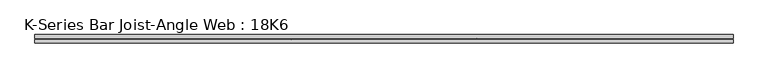
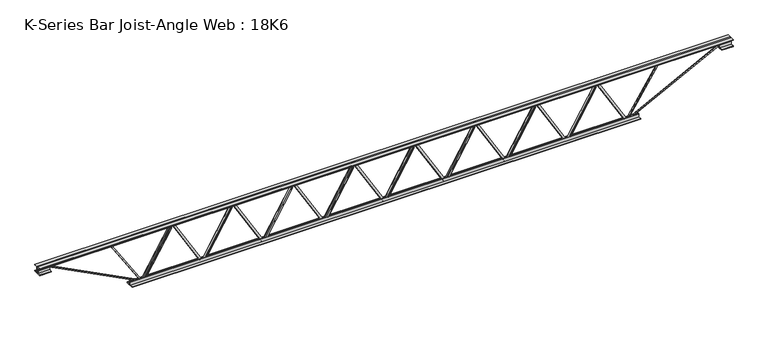
"""IFC4 building model written with IfcOpenShell, lengths in millimetres: beam geometry, K-Series Bar Joist-Angle Web : 18K6."""

from ifc_helpers import new_model, si_unit, frame, origin, place, context, project, spatial, polyline, outline, extrude, faceted_brep, source, transform, mapped, element, save


def k_series_bar_joist_angle_web_18k6_175d3581(model_context):
    return source(origin(), model_context, "Body", "SolidModel", [
        extrude(outline(polyline([(-4.7625, 4.7625), (-4.7625, 0.0), (-17.4625, 0.0), (-17.4625, 4.7625), (-4.7625, 4.7625)])), frame((1567.8580962, 0.0, -190.5), z_axis=(-0.5070201265634058, 0.0, 0.8619342151577625), x_axis=(0.0, -1.0, 0.0)), (0.0, 0.0, 1.0), 442.0290938),
        extrude(outline(polyline([(-225.425, 1600.2), (-206.375, 1600.2), (-206.375, 1599.2977862), (225.425, 1345.2977862), (225.425, 1327.15), (206.375, 1327.15), (206.375, 1334.4022138), (-225.425, 1588.4022138), (-225.425, 1600.2)])), frame((0.0, 0.0, 0.0), z_axis=(0.0, 1.0, 0.0), x_axis=(0.0, 0.0, 1.0)), (0.0, 0.0, 1.0), 4.7625),
        faceted_brep([(1066.8, 0.0, -206.375), (1066.8, 0.0, -225.425), (1066.8, -4.7625, -225.425), (1066.8, -4.7625, -206.375), (1067.7022138, 0.0, -206.375), (1321.7022138, 0.0, 225.425), (1339.85, 0.0, 225.425), (1339.85, 0.0, 206.375), (1332.5977862, 0.0, 206.375), (1078.5977862, 0.0, -225.425), (1078.5977862, -4.7625, -225.425), (1099.1419038, -4.7625, -190.5), (1095.0369421, -4.7625, -188.0853166), (1319.1545892, -4.7625, 192.9146834), (1323.2595509, -4.7625, 190.5), (1332.5977862, -4.7625, 206.375), (1339.85, -4.7625, 206.375), (1339.85, -4.7625, 225.425), (1321.7022138, -4.7625, 225.425), (1067.7022138, -4.7625, -206.375), (1323.2595509, -17.4625, 190.5), (1099.1419038, -17.4625, -190.5), (1095.0369421, -17.4625, -188.0853166), (1319.1545892, -17.4625, 192.9146834)], [[[0, 1, 2, 3]], [[1, 0, 4, 5, 6, 7, 8, 9]], [[2, 1, 9, 10]], [[3, 2, 10, 11, 12, 13, 14, 15, 16, 17, 18, 19]], [[0, 3, 19, 4]], [[9, 8, 15, 14, 20, 21, 11, 10]], [[5, 4, 19, 18]], [[7, 6, 17, 16]], [[8, 7, 16, 15]], [[6, 5, 18, 17]], [[21, 22, 12, 11]], [[20, 14, 13, 23]], [[22, 21, 20, 23]], [[12, 22, 23, 13]]]),
        extrude(outline(polyline([(-4.7625, 4.7625), (-4.7625, 0.0), (-17.4625, 0.0), (-17.4625, 4.7625), (-4.7625, 4.7625)])), frame((1034.4580962, 0.0, -190.5), z_axis=(-0.5070201265634058, 0.0, 0.8619342151577625), x_axis=(0.0, -1.0, 0.0)), (0.0, 0.0, 1.0), 442.0290938),
        extrude(outline(polyline([(-225.425, 1066.8), (-206.375, 1066.8), (-206.375, 1065.8977862), (225.425, 811.8977862), (225.425, 793.75), (206.375, 793.75), (206.375, 801.0022138), (-225.425, 1055.0022138), (-225.425, 1066.8)])), frame((0.0, 0.0, 0.0), z_axis=(0.0, 1.0, 0.0), x_axis=(0.0, 0.0, 1.0)), (0.0, 0.0, 1.0), 4.7625),
        faceted_brep([(533.4, 0.0, -206.375), (533.4, 0.0, -225.425), (533.4, -4.7625, -225.425), (533.4, -4.7625, -206.375), (534.3022138, 0.0, -206.375), (788.3022138, 0.0, 225.425), (806.45, 0.0, 225.425), (806.45, 0.0, 206.375), (799.1977862, 0.0, 206.375), (545.1977862, 0.0, -225.425), (545.1977862, -4.7625, -225.425), (565.7419038, -4.7625, -190.5), (561.6369421, -4.7625, -188.0853166), (785.7545892, -4.7625, 192.9146834), (789.8595509, -4.7625, 190.5), (799.1977862, -4.7625, 206.375), (806.45, -4.7625, 206.375), (806.45, -4.7625, 225.425), (788.3022138, -4.7625, 225.425), (534.3022138, -4.7625, -206.375), (789.8595509, -17.4625, 190.5), (565.7419038, -17.4625, -190.5), (561.6369421, -17.4625, -188.0853166), (785.7545892, -17.4625, 192.9146834)], [[[0, 1, 2, 3]], [[1, 0, 4, 5, 6, 7, 8, 9]], [[2, 1, 9, 10]], [[3, 2, 10, 11, 12, 13, 14, 15, 16, 17, 18, 19]], [[0, 3, 19, 4]], [[9, 8, 15, 14, 20, 21, 11, 10]], [[5, 4, 19, 18]], [[7, 6, 17, 16]], [[8, 7, 16, 15]], [[6, 5, 18, 17]], [[21, 22, 12, 11]], [[20, 14, 13, 23]], [[22, 21, 20, 23]], [[12, 22, 23, 13]]]),
        extrude(outline(polyline([(-4.7625, 4.7625), (-4.7625, 0.0), (-17.4625, 0.0), (-17.4625, 4.7625), (-4.7625, 4.7625)])), frame((501.0580962, 0.0, -190.5), z_axis=(-0.5070201265634058, 0.0, 0.8619342151577625), x_axis=(0.0, -1.0, 0.0)), (0.0, 0.0, 1.0), 442.0290938),
        extrude(outline(polyline([(-225.425, 533.4), (-206.375, 533.4), (-206.375, 532.4977862), (225.425, 278.4977862), (225.425, 260.35), (206.375, 260.35), (206.375, 267.6022138), (-225.425, 521.6022138), (-225.425, 533.4)])), frame((0.0, 0.0, 0.0), z_axis=(0.0, 1.0, 0.0), x_axis=(0.0, 0.0, 1.0)), (0.0, 0.0, 1.0), 4.7625),
        faceted_brep([(0.0, 0.0, -206.375), (0.0, 0.0, -225.425), (0.0, -4.7625, -225.425), (0.0, -4.7625, -206.375), (0.9022138, 0.0, -206.375), (254.9022138, 0.0, 225.425), (273.05, 0.0, 225.425), (273.05, 0.0, 206.375), (265.7977862, 0.0, 206.375), (11.7977862, 0.0, -225.425), (11.7977862, -4.7625, -225.425), (32.3419038, -4.7625, -190.5), (28.2369421, -4.7625, -188.0853166), (252.3545892, -4.7625, 192.9146834), (256.4595509, -4.7625, 190.5), (265.7977862, -4.7625, 206.375), (273.05, -4.7625, 206.375), (273.05, -4.7625, 225.425), (254.9022138, -4.7625, 225.425), (0.9022138, -4.7625, -206.375), (256.4595509, -17.4625, 190.5), (32.3419038, -17.4625, -190.5), (28.2369421, -17.4625, -188.0853166), (252.3545892, -17.4625, 192.9146834)], [[[0, 1, 2, 3]], [[1, 0, 4, 5, 6, 7, 8, 9]], [[2, 1, 9, 10]], [[3, 2, 10, 11, 12, 13, 14, 15, 16, 17, 18, 19]], [[0, 3, 19, 4]], [[9, 8, 15, 14, 20, 21, 11, 10]], [[5, 4, 19, 18]], [[7, 6, 17, 16]], [[8, 7, 16, 15]], [[6, 5, 18, 17]], [[21, 22, 12, 11]], [[20, 14, 13, 23]], [[22, 21, 20, 23]], [[12, 22, 23, 13]]]),
        extrude(outline(polyline([(-4.7625, 4.7625), (-4.7625, 0.0), (-17.4625, 0.0), (-17.4625, 4.7625), (-4.7625, 4.7625)])), frame((-32.3419038, 0.0, -190.5), z_axis=(-0.5070201265634058, 0.0, 0.8619342151577625), x_axis=(0.0, -1.0, 0.0)), (0.0, 0.0, 1.0), 442.0290938),
        extrude(outline(polyline([(-225.425, 0.0), (-206.375, 0.0), (-206.375, -0.9022138), (225.425, -254.9022138), (225.425, -273.05), (206.375, -273.05), (206.375, -265.7977862), (-225.425, -11.7977862), (-225.425, 0.0)])), frame((0.0, 0.0, 0.0), z_axis=(0.0, 1.0, 0.0), x_axis=(0.0, 0.0, 1.0)), (0.0, 0.0, 1.0), 4.7625),
        faceted_brep([(-533.4, 0.0, -206.375), (-533.4, 0.0, -225.425), (-533.4, -4.7625, -225.425), (-533.4, -4.7625, -206.375), (-532.4977862, 0.0, -206.375), (-278.4977862, 0.0, 225.425), (-260.35, 0.0, 225.425), (-260.35, 0.0, 206.375), (-267.6022138, 0.0, 206.375), (-521.6022138, 0.0, -225.425), (-521.6022138, -4.7625, -225.425), (-501.0580962, -4.7625, -190.5), (-505.1630579, -4.7625, -188.0853166), (-281.0454108, -4.7625, 192.9146834), (-276.9404491, -4.7625, 190.5), (-267.6022138, -4.7625, 206.375), (-260.35, -4.7625, 206.375), (-260.35, -4.7625, 225.425), (-278.4977862, -4.7625, 225.425), (-532.4977862, -4.7625, -206.375), (-276.9404491, -17.4625, 190.5), (-501.0580962, -17.4625, -190.5), (-505.1630579, -17.4625, -188.0853166), (-281.0454108, -17.4625, 192.9146834)], [[[0, 1, 2, 3]], [[1, 0, 4, 5, 6, 7, 8, 9]], [[2, 1, 9, 10]], [[3, 2, 10, 11, 12, 13, 14, 15, 16, 17, 18, 19]], [[0, 3, 19, 4]], [[9, 8, 15, 14, 20, 21, 11, 10]], [[5, 4, 19, 18]], [[7, 6, 17, 16]], [[8, 7, 16, 15]], [[6, 5, 18, 17]], [[21, 22, 12, 11]], [[20, 14, 13, 23]], [[22, 21, 20, 23]], [[12, 22, 23, 13]]]),
        extrude(outline(polyline([(-4.7625, 4.7625), (-4.7625, 0.0), (-17.4625, 0.0), (-17.4625, 4.7625), (-4.7625, 4.7625)])), frame((-565.7419038, 0.0, -190.5), z_axis=(-0.5070201265634058, 0.0, 0.8619342151577625), x_axis=(0.0, -1.0, 0.0)), (0.0, 0.0, 1.0), 442.0290938),
        extrude(outline(polyline([(-225.425, -533.4), (-206.375, -533.4), (-206.375, -534.3022138), (225.425, -788.3022138), (225.425, -806.45), (206.375, -806.45), (206.375, -799.1977862), (-225.425, -545.1977862), (-225.425, -533.4)])), frame((0.0, 0.0, 0.0), z_axis=(0.0, 1.0, 0.0), x_axis=(0.0, 0.0, 1.0)), (0.0, 0.0, 1.0), 4.7625),
        faceted_brep([(-1066.8, 0.0, -206.375), (-1066.8, 0.0, -225.425), (-1066.8, -4.7625, -225.425), (-1066.8, -4.7625, -206.375), (-1065.8977862, 0.0, -206.375), (-811.8977862, 0.0, 225.425), (-793.75, 0.0, 225.425), (-793.75, 0.0, 206.375), (-801.0022138, 0.0, 206.375), (-1055.0022138, 0.0, -225.425), (-1055.0022138, -4.7625, -225.425), (-1034.4580962, -4.7625, -190.5), (-1038.5630579, -4.7625, -188.0853166), (-814.4454108, -4.7625, 192.9146834), (-810.3404491, -4.7625, 190.5), (-801.0022138, -4.7625, 206.375), (-793.75, -4.7625, 206.375), (-793.75, -4.7625, 225.425), (-811.8977862, -4.7625, 225.425), (-1065.8977862, -4.7625, -206.375), (-810.3404491, -17.4625, 190.5), (-1034.4580962, -17.4625, -190.5), (-1038.5630579, -17.4625, -188.0853166), (-814.4454108, -17.4625, 192.9146834)], [[[0, 1, 2, 3]], [[1, 0, 4, 5, 6, 7, 8, 9]], [[2, 1, 9, 10]], [[3, 2, 10, 11, 12, 13, 14, 15, 16, 17, 18, 19]], [[0, 3, 19, 4]], [[9, 8, 15, 14, 20, 21, 11, 10]], [[5, 4, 19, 18]], [[7, 6, 17, 16]], [[8, 7, 16, 15]], [[6, 5, 18, 17]], [[21, 22, 12, 11]], [[20, 14, 13, 23]], [[22, 21, 20, 23]], [[12, 22, 23, 13]]]),
        extrude(outline(polyline([(-4.7625, 4.7625), (-4.7625, 0.0), (-17.4625, 0.0), (-17.4625, 4.7625), (-4.7625, 4.7625)])), frame((-1099.1419038, 0.0, -190.5), z_axis=(-0.5070201265634058, 0.0, 0.8619342151577625), x_axis=(0.0, -1.0, 0.0)), (0.0, 0.0, 1.0), 442.0290938),
        extrude(outline(polyline([(-225.425, -1066.8), (-206.375, -1066.8), (-206.375, -1067.7022138), (225.425, -1321.7022138), (225.425, -1339.85), (206.375, -1339.85), (206.375, -1332.5977862), (-225.425, -1078.5977862), (-225.425, -1066.8)])), frame((0.0, 0.0, 0.0), z_axis=(0.0, 1.0, 0.0), x_axis=(0.0, 0.0, 1.0)), (0.0, 0.0, 1.0), 4.7625),
        faceted_brep([(-1600.2, 0.0, -206.375), (-1600.2, 0.0, -225.425), (-1600.2, -4.7625, -225.425), (-1600.2, -4.7625, -206.375), (-1599.2977862, 0.0, -206.375), (-1345.2977862, 0.0, 225.425), (-1327.15, 0.0, 225.425), (-1327.15, 0.0, 206.375), (-1334.4022138, 0.0, 206.375), (-1588.4022138, 0.0, -225.425), (-1588.4022138, -4.7625, -225.425), (-1567.8580962, -4.7625, -190.5), (-1571.9630579, -4.7625, -188.0853166), (-1347.8454108, -4.7625, 192.9146834), (-1343.7404491, -4.7625, 190.5), (-1334.4022138, -4.7625, 206.375), (-1327.15, -4.7625, 206.375), (-1327.15, -4.7625, 225.425), (-1345.2977862, -4.7625, 225.425), (-1599.2977862, -4.7625, -206.375), (-1343.7404491, -17.4625, 190.5), (-1567.8580962, -17.4625, -190.5), (-1571.9630579, -17.4625, -188.0853166), (-1347.8454108, -17.4625, 192.9146834)], [[[0, 1, 2, 3]], [[1, 0, 4, 5, 6, 7, 8, 9]], [[2, 1, 9, 10]], [[3, 2, 10, 11, 12, 13, 14, 15, 16, 17, 18, 19]], [[0, 3, 19, 4]], [[9, 8, 15, 14, 20, 21, 11, 10]], [[5, 4, 19, 18]], [[7, 6, 17, 16]], [[8, 7, 16, 15]], [[6, 5, 18, 17]], [[21, 22, 12, 11]], [[20, 14, 13, 23]], [[22, 21, 20, 23]], [[12, 22, 23, 13]]]),
        extrude(outline(polyline([(-4.7625, 4.7625), (-4.7625, 0.0), (-17.4625, 0.0), (-17.4625, 4.7625), (-4.7625, 4.7625)])), frame((2101.2580962, 0.0, -190.5), z_axis=(-0.5070201265634058, 0.0, 0.8619342151577625), x_axis=(0.0, -1.0, 0.0)), (0.0, 0.0, 1.0), 442.0290938),
        extrude(outline(polyline([(-225.425, 2133.6), (-206.375, 2133.6), (-206.375, 2132.6977862), (225.425, 1878.6977862), (225.425, 1860.55), (206.375, 1860.55), (206.375, 1867.8022138), (-225.425, 2121.8022138), (-225.425, 2133.6)])), frame((0.0, 0.0, 0.0), z_axis=(0.0, 1.0, 0.0), x_axis=(0.0, 0.0, 1.0)), (0.0, 0.0, 1.0), 4.7625),
        faceted_brep([(1600.2, 0.0, -206.375), (1600.2, 0.0, -225.425), (1600.2, -4.7625, -225.425), (1600.2, -4.7625, -206.375), (1601.1022138, 0.0, -206.375), (1855.1022138, 0.0, 225.425), (1873.25, 0.0, 225.425), (1873.25, 0.0, 206.375), (1865.9977862, 0.0, 206.375), (1611.9977862, 0.0, -225.425), (1611.9977862, -4.7625, -225.425), (1632.5419038, -4.7625, -190.5), (1628.4369421, -4.7625, -188.0853166), (1852.5545892, -4.7625, 192.9146834), (1856.6595509, -4.7625, 190.5), (1865.9977862, -4.7625, 206.375), (1873.25, -4.7625, 206.375), (1873.25, -4.7625, 225.425), (1855.1022138, -4.7625, 225.425), (1601.1022138, -4.7625, -206.375), (1856.6595509, -17.4625, 190.5), (1632.5419038, -17.4625, -190.5), (1628.4369421, -17.4625, -188.0853166), (1852.5545892, -17.4625, 192.9146834)], [[[0, 1, 2, 3]], [[1, 0, 4, 5, 6, 7, 8, 9]], [[2, 1, 9, 10]], [[3, 2, 10, 11, 12, 13, 14, 15, 16, 17, 18, 19]], [[0, 3, 19, 4]], [[9, 8, 15, 14, 20, 21, 11, 10]], [[5, 4, 19, 18]], [[7, 6, 17, 16]], [[8, 7, 16, 15]], [[6, 5, 18, 17]], [[21, 22, 12, 11]], [[20, 14, 13, 23]], [[22, 21, 20, 23]], [[12, 22, 23, 13]]]),
        extrude(outline(polyline([(-4.7625, 4.7625), (-4.7625, 0.0), (-17.4625, 0.0), (-17.4625, 4.7625), (-4.7625, 4.7625)])), frame((-1632.5419038, 0.0, -190.5), z_axis=(-0.5070201265634058, 0.0, 0.8619342151577625), x_axis=(0.0, -1.0, 0.0)), (0.0, 0.0, 1.0), 442.0290938),
        extrude(outline(polyline([(-225.425, -1600.2), (-206.375, -1600.2), (-206.375, -1601.1022138), (225.425, -1855.1022138), (225.425, -1873.25), (206.375, -1873.25), (206.375, -1865.9977862), (-225.425, -1611.9977862), (-225.425, -1600.2)])), frame((0.0, 0.0, 0.0), z_axis=(0.0, 1.0, 0.0), x_axis=(0.0, 0.0, 1.0)), (0.0, 0.0, 1.0), 4.7625),
        faceted_brep([(-2133.6, 0.0, -206.375), (-2133.6, 0.0, -225.425), (-2133.6, -4.7625, -225.425), (-2133.6, -4.7625, -206.375), (-2132.6977862, 0.0, -206.375), (-1878.6977862, 0.0, 225.425), (-1860.55, 0.0, 225.425), (-1860.55, 0.0, 206.375), (-1867.8022138, 0.0, 206.375), (-2121.8022138, 0.0, -225.425), (-2121.8022138, -4.7625, -225.425), (-2101.2580962, -4.7625, -190.5), (-2105.3630579, -4.7625, -188.0853166), (-1881.2454108, -4.7625, 192.9146834), (-1877.1404491, -4.7625, 190.5), (-1867.8022138, -4.7625, 206.375), (-1860.55, -4.7625, 206.375), (-1860.55, -4.7625, 225.425), (-1878.6977862, -4.7625, 225.425), (-2132.6977862, -4.7625, -206.375), (-1877.1404491, -17.4625, 190.5), (-2101.2580962, -17.4625, -190.5), (-2105.3630579, -17.4625, -188.0853166), (-1881.2454108, -17.4625, 192.9146834)], [[[0, 1, 2, 3]], [[1, 0, 4, 5, 6, 7, 8, 9]], [[2, 1, 9, 10]], [[3, 2, 10, 11, 12, 13, 14, 15, 16, 17, 18, 19]], [[0, 3, 19, 4]], [[9, 8, 15, 14, 20, 21, 11, 10]], [[5, 4, 19, 18]], [[7, 6, 17, 16]], [[8, 7, 16, 15]], [[6, 5, 18, 17]], [[21, 22, 12, 11]], [[20, 14, 13, 23]], [[22, 21, 20, 23]], [[12, 22, 23, 13]]]),
        extrude(outline(polyline([(4.7625, 228.6), (36.5125, 228.6), (36.5125, 222.25), (11.1125, 222.25), (11.1125, 196.85), (4.7625, 196.85), (4.7625, 228.6)])), frame((-3048.0, 0.0, 0.0), z_axis=(1.0, 0.0, 0.0), x_axis=(0.0, 1.0, 0.0)), (0.0, 0.0, 1.0), 6096.0),
        extrude(outline(polyline([(-4.7625, 228.6), (-4.7625, 196.85), (-11.1125, 196.85), (-11.1125, 222.25), (-36.5125, 222.25), (-36.5125, 228.6), (-4.7625, 228.6)])), frame((-3048.0, 0.0, 0.0), z_axis=(1.0, 0.0, 0.0), x_axis=(0.0, 1.0, 0.0)), (0.0, 0.0, 1.0), 6096.0),
        extrude(outline(polyline([(-4.7625, 165.1), (-36.5125, 165.1), (-36.5125, 171.45), (-11.1125, 171.45), (-11.1125, 196.85), (-4.7625, 196.85), (-4.7625, 165.1)])), frame((-3048.0, 0.0, 0.0), z_axis=(1.0, 0.0, 0.0), x_axis=(0.0, 1.0, 0.0)), (0.0, 0.0, 1.0), 101.6),
        extrude(outline(polyline([(36.5125, 165.1), (4.7625, 165.1), (4.7625, 196.85), (11.1125, 196.85), (11.1125, 171.45), (36.5125, 171.45), (36.5125, 165.1)])), frame((-3048.0, 0.0, 0.0), z_axis=(1.0, 0.0, 0.0), x_axis=(0.0, 1.0, 0.0)), (0.0, 0.0, 1.0), 101.6),
        extrude(outline(polyline([(4.7625, 165.1), (4.7625, 196.85), (11.1125, 196.85), (11.1125, 171.45), (36.5125, 171.45), (36.5125, 165.1), (4.7625, 165.1)])), frame((2946.4, 0.0, 0.0), z_axis=(1.0, 0.0, 0.0), x_axis=(0.0, 1.0, 0.0)), (0.0, 0.0, 1.0), 101.6),
        extrude(outline(polyline([(-4.7625, 165.1), (-36.5125, 165.1), (-36.5125, 171.45), (-11.1125, 171.45), (-11.1125, 196.85), (-4.7625, 196.85), (-4.7625, 165.1)])), frame((2946.4, 0.0, 0.0), z_axis=(1.0, 0.0, 0.0), x_axis=(0.0, 1.0, 0.0)), (0.0, 0.0, 1.0), 101.6),
        extrude(outline(polyline([(4.7625, -228.6), (4.7625, -196.85), (11.1125, -196.85), (11.1125, -222.25), (36.5125, -222.25), (36.5125, -228.6), (4.7625, -228.6)])), frame((-2235.2, 0.0, 0.0), z_axis=(1.0, 0.0, 0.0), x_axis=(0.0, 1.0, 0.0)), (0.0, 0.0, 1.0), 4470.4),
        extrude(outline(polyline([(-4.7625, -228.6), (-36.5125, -228.6), (-36.5125, -222.25), (-11.1125, -222.25), (-11.1125, -196.85), (-4.7625, -196.85), (-4.7625, -228.6)])), frame((-2235.2, 0.0, 0.0), z_axis=(1.0, 0.0, 0.0), x_axis=(0.0, 1.0, 0.0)), (0.0, 0.0, 1.0), 4470.4),
        extrude(outline(polyline([(4.7625, 4.7625), (4.7625, -4.7625), (-4.7625, -4.7625), (-4.7625, 4.7625), (4.7625, 4.7625)])), frame((2133.6, 0.0, -222.25), z_axis=(0.5368754921935788, 0.0, 0.8436614877318407), x_axis=(0.0, -1.0, 0.0)), (0.0, 0.0, 1.0), 496.7632233),
        extrude(outline(polyline([(4.7625, 4.7625), (4.7625, -4.7625), (-4.7625, -4.7625), (-4.7625, 4.7625), (4.7625, 4.7625)])), frame((-2133.6, 0.0, -222.25), z_axis=(-0.5368754921935522, 0.0, 0.8436614877318576), x_axis=(0.0, -1.0, 0.0)), (0.0, 0.0, 1.0), 496.7632233),
        extrude(outline(polyline([(0.0, -9.525), (0.0, 0.0), (914.4881902, 0.0), (914.4881902, -9.525), (0.0, -9.525)])), frame((2948.582602, -4.7625, 192.6170749), z_axis=(-0.45828913319462067, 0.0, 0.8888031674086919), x_axis=(-0.8888031674086919, 0.0, -0.45828913319462067)), (0.0, 0.0, 1.0), 9.525),
        extrude(outline(polyline([(0.0, -9.525), (0.0, 0.0), (914.4881902, 0.0), (914.4881902, -9.525), (0.0, -9.525)])), frame((-2948.582602, 4.7625, 192.6170749), z_axis=(0.45828913319462, 0.0, 0.8888031674086923), x_axis=(0.8888031674086923, 0.0, -0.45828913319462)), (0.0, 0.0, 1.0), 9.525),
    ])


if __name__ == "__main__":
    model = new_model("IFC4")
    model_context = context("Model", 3, world=origin())
    ifc_project = project(units=[si_unit("LENGTHUNIT", "METRE", prefix="MILLI")], contexts=[model_context])
    site = spatial("IfcSite", under=ifc_project)
    building = spatial("IfcBuilding", under=site)
    placement = place(None, origin())
    k_series_bar_joist_angle_web_18k6_shape = k_series_bar_joist_angle_web_18k6_175d3581(model_context)
    element("IfcBeam", 1, ObjectType="K-Series Bar Joist-Angle Web : 18K6", at=placement, inside=building, context=model_context, shape_type="MappedRepresentation", body=[
        mapped(k_series_bar_joist_angle_web_18k6_shape, transform((0.0, 0.0, 0.0), x_axis=(1.0, 0.0, 0.0), y_axis=(0.0, 1.0, 0.0), z_axis=(0.0, 0.0, 1.0))),
    ])
    save(model, "model.ifc")
